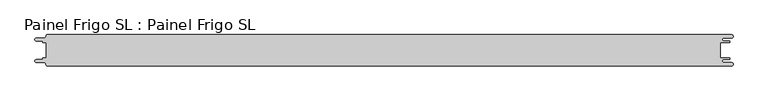
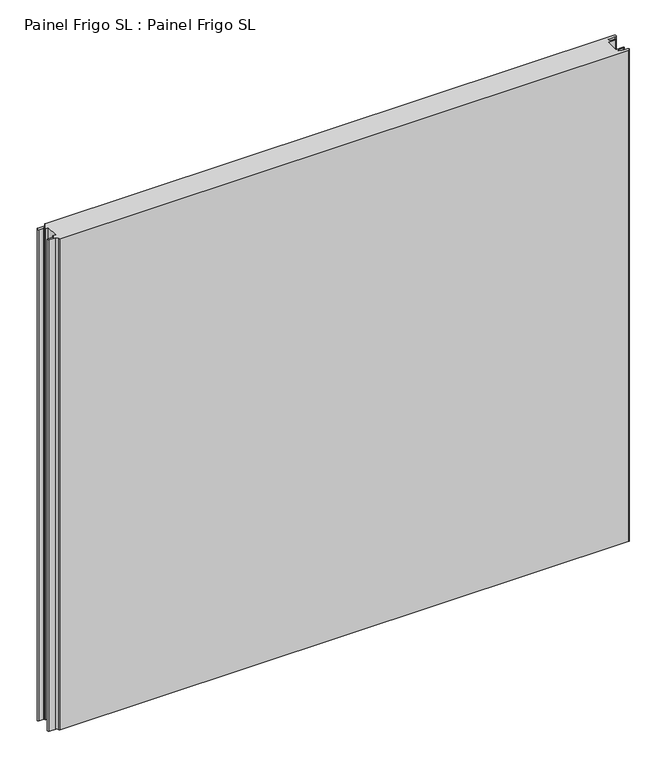
"""IFC4 building model written with IfcOpenShell, lengths in millimetres: proxy geometry, Painel Frigo SL : Painel Frigo SL."""

from ifc_helpers import new_model, si_unit, frame, origin, place, context, project, spatial, polyline, circle_curve, source, transform, mapped, element, save
from ifc_brep_helpers import plane_surface, cylinder_surface, revolved_surface, advanced_brep


def painel_frigo_sl_painel_frigo_sl_467dd6fe(model_context):
    return source(origin(), model_context, "Body", "AdvancedBrep", [
        advanced_brep(
        [(-554.5874998, -12.3, 1000.0), (-555.1874998, -12.9, 1000.0), (-555.1874998, -13.7085184, 1000.0), (-556.5875001, -15.1085187, 1000.0), (-565.565625, -15.1085187, 1000.0), (-565.565625, -19.5085185, 1000.0), (-553.55, -19.5085185, 1000.0), (-550.0, -23.0585185, 1000.0), (-548.05, -25.0, 1000.0), (546.89375, -25.0, 1000.0), (546.89375, -19.725, 1000.0), (534.45625, -19.725, 1000.0), (534.45625, -14.875, 1000.0), (543.1187503, -14.875, 1000.0), (543.1187503, -12.3, 1000.0), (529.2687503, -12.3, 1000.0), (529.2687503, 12.3, 1000.0), (543.1187503, 12.3, 1000.0), (543.1187503, 14.875, 1000.0), (534.45625, 14.875, 1000.0), (534.45625, 19.725, 1000.0), (546.89375, 19.725, 1000.0), (546.89375, 25.0, 1000.0), (-548.05, 25.0, 1000.0), (-550.0, 23.05, 1000.0), (-553.55, 19.5085185, 1000.0), (-565.565625, 19.5085185, 1000.0), (-565.565625, 15.1085185, 1000.0), (-556.5875003, 15.1085185, 1000.0), (-555.1875003, 13.7085185, 1000.0), (-555.1875003, 12.9, 1000.0), (-554.5874998, 12.2999995, 1000.0), (-549.2999612, 12.2999995, 1000.0), (-549.2999612, -12.3, 1000.0), (-554.5874998, -12.3, 0.0), (-549.2999612, -12.3, 0.0), (-549.2999612, 12.2999995, 0.0), (-554.5874998, 12.2999995, 0.0), (-555.1875003, 12.9, 0.0), (-555.1875003, 13.7085185, 0.0), (-556.5875003, 15.1085185, 0.0), (-565.565625, 15.1085185, 0.0), (-565.565625, 19.5085185, 0.0), (-553.55, 19.5085185, 0.0), (-550.0, 23.0585185, 0.0), (-548.05, 25.0, 0.0), (546.89375, 25.0, 0.0), (546.89375, 19.725, 0.0), (534.45625, 19.725, 0.0), (534.45625, 14.875, 0.0), (543.1187503, 14.875, 0.0), (543.1187503, 12.3, 0.0), (529.2687503, 12.3, 0.0), (529.2687503, -12.3, 0.0), (543.1187503, -12.3, 0.0), (543.1187503, -14.875, 0.0), (534.45625, -14.875, 0.0), (534.45625, -19.725, 0.0), (546.89375, -19.725, 0.0), (546.89375, -25.0, 0.0), (-548.05, -25.0, 0.0), (-550.0, -23.05, 0.0), (-553.55, -19.5085185, 0.0), (-565.565625, -19.5085185, 0.0), (-565.565625, -15.1085187, 0.0), (-556.5875001, -15.1085187, 0.0), (-555.1874998, -13.7085184, 0.0), (-555.1874998, -12.9, 0.0)],
        [
            (0, 1, circle_curve(frame((-554.5874998, -12.9, 1000.0), z_axis=(0.0, 0.0, 1.0), x_axis=(1.0, 0.0, 0.0)), 0.6)),
            (1, 2),
            (2, 3, circle_curve(frame((-556.5875001, -13.7085184, 1000.0), z_axis=(0.0, 0.0, -1.0), x_axis=(1.0, 0.0, 0.0)), 1.4000003)),
            (3, 4),
            (4, 5, circle_curve(frame((-565.565625, -17.3085186, 1000.0), z_axis=(0.0, 0.0, 1.0), x_axis=(1.0, 0.0, 0.0)), 2.1999999)),
            (5, 6),
            (6, 7, circle_curve(frame((-553.55, -23.0585185, 1000.0), z_axis=(0.0, 0.0, -1.0), x_axis=(1.0, 0.0, 0.0)), 3.55)),
            (7, 8, circle_curve(frame((-548.05, -23.05, 1000.0), z_axis=(0.0, 0.0, 1.0), x_axis=(1.0, 0.0, 0.0)), 1.95)),
            (8, 9),
            (9, 10, circle_curve(frame((546.89375, -22.3625, 1000.0), z_axis=(0.0, 0.0, 1.0), x_axis=(1.0, 0.0, 0.0)), 2.6375)),
            (10, 11),
            (11, 12, circle_curve(frame((534.45625, -17.3, 1000.0), z_axis=(0.0, 0.0, -1.0), x_axis=(1.0, 0.0, 0.0)), 2.425)),
            (12, 13),
            (13, 14, circle_curve(frame((543.1187503, -13.5875, 1000.0), z_axis=(0.0, 0.0, 1.0), x_axis=(1.0, 0.0, 0.0)), 1.2875)),
            (14, 15),
            (15, 16),
            (16, 17),
            (17, 18, circle_curve(frame((543.1187503, 13.5875, 1000.0), z_axis=(0.0, 0.0, 1.0), x_axis=(1.0, 0.0, 0.0)), 1.2875)),
            (18, 19),
            (19, 20, circle_curve(frame((534.45625, 17.3, 1000.0), z_axis=(0.0, 0.0, -1.0), x_axis=(1.0, 0.0, 0.0)), 2.425)),
            (20, 21),
            (21, 22, circle_curve(frame((546.89375, 22.3625, 1000.0), z_axis=(0.0, 0.0, 1.0), x_axis=(1.0, 0.0, 0.0)), 2.6375)),
            (22, 23),
            (23, 24, circle_curve(frame((-548.05, 23.05, 1000.0), z_axis=(0.0, 0.0, 1.0), x_axis=(1.0, 0.0, 0.0)), 1.95)),
            (24, 25, circle_curve(frame((-553.55, 23.0585185, 1000.0), z_axis=(0.0, 0.0, -1.0), x_axis=(1.0, 0.0, 0.0)), 3.55)),
            (25, 26),
            (26, 27, circle_curve(frame((-565.565625, 17.3085185, 1000.0), z_axis=(0.0, 0.0, 1.0), x_axis=(1.0, 0.0, 0.0)), 2.2)),
            (27, 28),
            (28, 29, circle_curve(frame((-556.5875003, 13.7085185, 1000.0), z_axis=(0.0, 0.0, -1.0), x_axis=(1.0, 0.0, 0.0)), 1.4)),
            (29, 30),
            (30, 31, circle_curve(frame((-554.5874998, 12.9, 1000.0), z_axis=(0.0, 0.0, 1.0), x_axis=(1.0, 0.0, 0.0)), 0.6000005)),
            (31, 32),
            (32, 33),
            (33, 0),
            (34, 35),
            (35, 36),
            (36, 37),
            (37, 38, circle_curve(frame((-554.5874998, 12.9, 0.0), z_axis=(0.0, 0.0, -1.0), x_axis=(1.0, 0.0, 0.0)), 0.6000005)),
            (38, 39),
            (39, 40, circle_curve(frame((-556.5875003, 13.7085185, 0.0), z_axis=(0.0, 0.0, 1.0), x_axis=(1.0, 0.0, 0.0)), 1.4)),
            (40, 41),
            (41, 42, circle_curve(frame((-565.565625, 17.3085185, 0.0), z_axis=(0.0, 0.0, -1.0), x_axis=(1.0, 0.0, 0.0)), 2.2)),
            (42, 43),
            (43, 44, circle_curve(frame((-553.55, 23.0585185, 0.0), z_axis=(0.0, 0.0, 1.0), x_axis=(1.0, 0.0, 0.0)), 3.55)),
            (44, 45, circle_curve(frame((-548.05, 23.05, 0.0), z_axis=(0.0, 0.0, -1.0), x_axis=(1.0, 0.0, 0.0)), 1.95)),
            (45, 46),
            (46, 47, circle_curve(frame((546.89375, 22.3625, 0.0), z_axis=(0.0, 0.0, -1.0), x_axis=(1.0, 0.0, 0.0)), 2.6375)),
            (47, 48),
            (48, 49, circle_curve(frame((534.45625, 17.3, 0.0), z_axis=(0.0, 0.0, 1.0), x_axis=(1.0, 0.0, 0.0)), 2.425)),
            (49, 50),
            (50, 51, circle_curve(frame((543.1187503, 13.5875, 0.0), z_axis=(0.0, 0.0, -1.0), x_axis=(1.0, 0.0, 0.0)), 1.2875)),
            (51, 52),
            (52, 53),
            (53, 54),
            (54, 55, circle_curve(frame((543.1187503, -13.5875, 0.0), z_axis=(0.0, 0.0, -1.0), x_axis=(1.0, 0.0, 0.0)), 1.2875)),
            (55, 56),
            (56, 57, circle_curve(frame((534.45625, -17.3, 0.0), z_axis=(0.0, 0.0, 1.0), x_axis=(1.0, 0.0, 0.0)), 2.425)),
            (57, 58),
            (58, 59, circle_curve(frame((546.89375, -22.3625, 0.0), z_axis=(0.0, 0.0, -1.0), x_axis=(1.0, 0.0, 0.0)), 2.6375)),
            (59, 60),
            (60, 61, circle_curve(frame((-548.05, -23.05, 0.0), z_axis=(0.0, 0.0, -1.0), x_axis=(1.0, 0.0, 0.0)), 1.95)),
            (61, 62, circle_curve(frame((-553.55, -23.0585185, 0.0), z_axis=(0.0, 0.0, 1.0), x_axis=(1.0, 0.0, 0.0)), 3.55)),
            (62, 63),
            (63, 64, circle_curve(frame((-565.565625, -17.3085186, 0.0), z_axis=(0.0, 0.0, -1.0), x_axis=(1.0, 0.0, 0.0)), 2.1999999)),
            (64, 65),
            (65, 66, circle_curve(frame((-556.5875001, -13.7085184, 0.0), z_axis=(0.0, 0.0, 1.0), x_axis=(1.0, 0.0, 0.0)), 1.4000003)),
            (66, 67),
            (67, 34, circle_curve(frame((-554.5874998, -12.9, 0.0), z_axis=(0.0, 0.0, -1.0), x_axis=(1.0, 0.0, 0.0)), 0.6)),
            (33, 35),
            (34, 0),
            (32, 36),
            (31, 37),
            (30, 38),
            (29, 39),
            (28, 40),
            (27, 41),
            (26, 42),
            (25, 43),
            (24, 44),
            (23, 45),
            (22, 46),
            (15, 53),
            (52, 16),
            (14, 54),
            (13, 55),
            (12, 56),
            (11, 57),
            (10, 58),
            (9, 59),
            (8, 60),
            (7, 61),
            (6, 62),
            (5, 63),
            (4, 64),
            (3, 65),
            (2, 66),
            (1, 67),
            (21, 47),
            (20, 48),
            (19, 49),
            (18, 50),
            (17, 51),
        ],
        [
            plane_surface(frame((-549.2999612, -12.3, 1000.0), z_axis=(0.0, 0.0, 1.0), x_axis=(1.0, 0.0, 0.0))),
            plane_surface(frame((-549.2999612, -12.3, 0.0), z_axis=(0.0, 0.0, -1.0), x_axis=(-1.0, 0.0, 0.0))),
            plane_surface(frame((-554.5874998, -12.3, 1000.0), z_axis=(0.0, 1.0, 0.0), x_axis=(0.0, 0.0, -1.0))),
            plane_surface(frame((-549.2999612, -12.3, 1000.0), z_axis=(-1.0, 0.0, 0.0), x_axis=(0.0, 0.0, -1.0))),
            plane_surface(frame((-549.2999612, 12.2999995, 1000.0), z_axis=(0.0, -1.0, 0.0), x_axis=(0.0, 0.0, -1.0))),
            cylinder_surface(frame((-554.5874998, 12.9, 0.0), z_axis=(0.0, 0.0, 1.0), x_axis=(1.0, 0.0, 0.0)), 0.6000005),
            plane_surface(frame((-555.1875003, 12.9, 1000.0), z_axis=(-1.0, -1.7578608662329016e-12, 0.0), x_axis=(0.0, 0.0, -1.0))),
            revolved_surface(polyline([(-555.1875003, 13.7085185, 0.0), (-555.1875003, 13.7085185, 1000.0)]), (-556.5875003, 13.7085185, 0.0), (0.0, 0.0, -1.0)),
            plane_surface(frame((-556.5875003, 15.1085185, 1000.0), z_axis=(0.0, -1.0, 0.0), x_axis=(0.0, 0.0, -1.0))),
            cylinder_surface(frame((-565.565625, 17.3085185, 0.0), z_axis=(0.0, 0.0, 1.0), x_axis=(1.0, 0.0, 0.0)), 2.2),
            plane_surface(frame((-565.565625, 19.5085185, 1000.0), z_axis=(0.0, 1.0, 0.0), x_axis=(0.0, 0.0, -1.0))),
            revolved_surface(polyline([(-550.0, 23.0585185, 0.0), (-550.0, 23.0585185, 1000.0)]), (-553.55, 23.0585185, 0.0), (0.0, 0.0, -1.0)),
            cylinder_surface(frame((-548.05, 23.05, 0.0), z_axis=(0.0, 0.0, 1.0), x_axis=(1.0, 0.0, 0.0)), 1.95),
            plane_surface(frame((-548.05, 25.0, 1000.0), z_axis=(0.0, 1.0, 0.0), x_axis=(0.0, 0.0, -1.0))),
            plane_surface(frame((529.2687503, 12.3, 1000.0), z_axis=(1.0, 0.0, 0.0), x_axis=(0.0, 0.0, -1.0))),
            plane_surface(frame((529.2687503, -12.3, 1000.0), z_axis=(0.0, 1.0, 0.0), x_axis=(0.0, 0.0, -1.0))),
            cylinder_surface(frame((543.1187503, -13.5875, 0.0), z_axis=(0.0, 0.0, 1.0), x_axis=(1.0, 0.0, 0.0)), 1.2875),
            plane_surface(frame((543.1187503, -14.875, 1000.0), z_axis=(0.0, -1.0, 0.0), x_axis=(0.0, 0.0, -1.0))),
            revolved_surface(polyline([(536.8812499999999, -17.3, 0.0), (536.8812499999999, -17.3, 1000.0)]), (534.45625, -17.3, 0.0), (0.0, 0.0, -1.0)),
            plane_surface(frame((534.45625, -19.725, 1000.0), z_axis=(0.0, 1.0, 0.0), x_axis=(0.0, 0.0, -1.0))),
            cylinder_surface(frame((546.89375, -22.3625, 0.0), z_axis=(0.0, 0.0, 1.0), x_axis=(1.0, 0.0, 0.0)), 2.6375),
            plane_surface(frame((546.89375, -25.0, 1000.0), z_axis=(0.0, -1.0, 0.0), x_axis=(0.0, 0.0, -1.0))),
            cylinder_surface(frame((-548.05, -23.05, 0.0), z_axis=(0.0, 0.0, 1.0), x_axis=(1.0, 0.0, 0.0)), 1.95),
            revolved_surface(polyline([(-550.0, -23.0585185, 0.0), (-550.0, -23.0585185, 1000.0)]), (-553.55, -23.0585185, 0.0), (0.0, 0.0, -1.0)),
            plane_surface(frame((-553.55, -19.5085185, 1000.0), z_axis=(0.0, -1.0, 0.0), x_axis=(0.0, 0.0, -1.0))),
            cylinder_surface(frame((-565.565625, -17.3085186, 0.0), z_axis=(0.0, 0.0, 1.0), x_axis=(1.0, 0.0, 0.0)), 2.1999999),
            plane_surface(frame((-565.565625, -15.1085187, 1000.0), z_axis=(0.0, 1.0, 0.0), x_axis=(0.0, 0.0, -1.0))),
            revolved_surface(polyline([(-555.1874998000001, -13.7085184, 0.0), (-555.1874998000001, -13.7085184, 1000.0)]), (-556.5875001, -13.7085184, 0.0), (0.0, 0.0, -1.0)),
            plane_surface(frame((-555.1874998, -13.7085184, 1000.0), z_axis=(-1.0, 0.0, 0.0), x_axis=(0.0, 0.0, -1.0))),
            cylinder_surface(frame((-554.5874998, -12.9, 0.0), z_axis=(0.0, 0.0, 1.0), x_axis=(1.0, 0.0, 0.0)), 0.6),
            cylinder_surface(frame((546.89375, 22.3625, 0.0), z_axis=(0.0, 0.0, 1.0), x_axis=(1.0, 0.0, 0.0)), 2.6375),
            plane_surface(frame((546.89375, 19.725, 1000.0), z_axis=(0.0, -1.0, 0.0), x_axis=(0.0, 0.0, -1.0))),
            revolved_surface(polyline([(536.8812499999999, 17.3, 0.0), (536.8812499999999, 17.3, 1000.0)]), (534.45625, 17.3, 0.0), (0.0, 0.0, -1.0)),
            plane_surface(frame((534.45625, 14.875, 1000.0), z_axis=(0.0, 1.0, 0.0), x_axis=(0.0, 0.0, -1.0))),
            cylinder_surface(frame((543.1187503, 13.5875, 0.0), z_axis=(0.0, 0.0, 1.0), x_axis=(1.0, 0.0, 0.0)), 1.2875),
            plane_surface(frame((543.1187503, 12.3, 1000.0), z_axis=(0.0, -1.0, 0.0), x_axis=(0.0, 0.0, -1.0))),
        ],
        [
            (0, [[1, 2, 3, 4, 5, 6, 7, 8, 9, 10, 11, 12, 13, 14, 15, 16, 17, 18, 19, 20, 21, 22, 23, 24, 25, 26, 27, 28, 29, 30, 31, 32, 33, 34]]),
            (1, [[35, 36, 37, 38, 39, 40, 41, 42, 43, 44, 45, 46, 47, 48, 49, 50, 51, 52, 53, 54, 55, 56, 57, 58, 59, 60, 61, 62, 63, 64, 65, 66, 67, 68]]),
            (2, [[69, -35, 70, -34]]),
            (3, [[71, -36, -69, -33]]),
            (4, [[72, -37, -71, -32]]),
            (5, [[73, -38, -72, -31]]),
            (6, [[74, -39, -73, -30]]),
            (7, [[75, -40, -74, -29]]),
            (8, [[76, -41, -75, -28]]),
            (9, [[77, -42, -76, -27]]),
            (10, [[78, -43, -77, -26]]),
            (11, [[79, -44, -78, -25]]),
            (12, [[80, -45, -79, -24]]),
            (13, [[81, -46, -80, -23]]),
            (14, [[82, -53, 83, -16]]),
            (15, [[84, -54, -82, -15]]),
            (16, [[85, -55, -84, -14]]),
            (17, [[86, -56, -85, -13]]),
            (18, [[87, -57, -86, -12]]),
            (19, [[88, -58, -87, -11]]),
            (20, [[89, -59, -88, -10]]),
            (21, [[90, -60, -89, -9]]),
            (22, [[91, -61, -90, -8]]),
            (23, [[92, -62, -91, -7]]),
            (24, [[93, -63, -92, -6]]),
            (25, [[94, -64, -93, -5]]),
            (26, [[95, -65, -94, -4]]),
            (27, [[96, -66, -95, -3]]),
            (28, [[97, -67, -96, -2]]),
            (29, [[-70, -68, -97, -1]]),
            (30, [[98, -47, -81, -22]]),
            (31, [[99, -48, -98, -21]]),
            (32, [[100, -49, -99, -20]]),
            (33, [[101, -50, -100, -19]]),
            (34, [[102, -51, -101, -18]]),
            (35, [[-83, -52, -102, -17]]),
        ],
    ),
    ])


if __name__ == "__main__":
    model = new_model("IFC4")
    model_context = context("Model", 3, world=origin())
    ifc_project = project(units=[si_unit("LENGTHUNIT", "METRE", prefix="MILLI")], contexts=[model_context])
    site = spatial("IfcSite", under=ifc_project)
    building = spatial("IfcBuilding", under=site)
    placement = place(None, origin())
    painel_frigo_sl_painel_frigo_sl_shape = painel_frigo_sl_painel_frigo_sl_467dd6fe(model_context)
    element("IfcBuildingElementProxy", 1, Name="Painel Frigo SL : Painel Frigo SL", ObjectType="Painel Frigo SL : Painel Frigo SL", at=placement, inside=building, context=model_context, shape_type="MappedRepresentation", body=[
        mapped(painel_frigo_sl_painel_frigo_sl_shape, transform((0.0, 0.0, 0.0), x_axis=(1.0, 0.0, 0.0), y_axis=(0.0, 1.0, 0.0), z_axis=(0.0, 0.0, 1.0))),
    ])
    save(model, "model.ifc")
